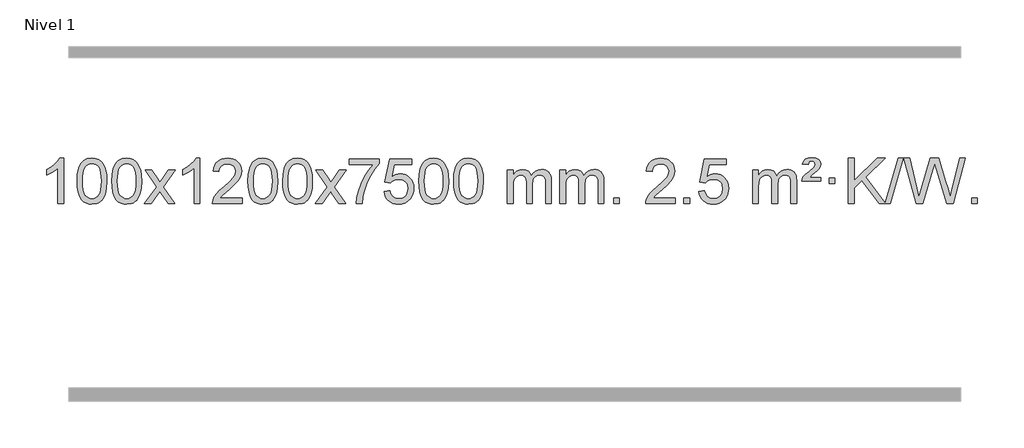
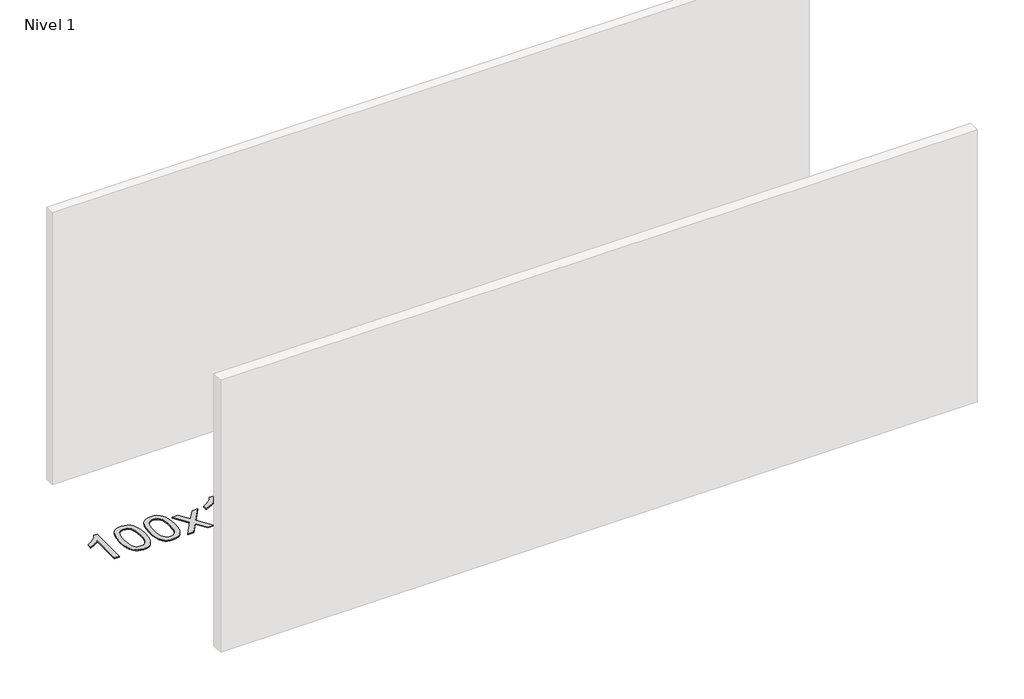
# One storey, part 4 of 5: 1 proxy.
"""IFC4 building model written with IfcOpenShell, lengths in millimetres."""

from ifc_helpers import new_model, si_unit, origin, origin_with_axes, place, context, project, spatial, polyline, outline, extrude, element, save

model = new_model("IFC4")

# Units and contexts
model_context = context("Model", 3, world=origin())
ifc_project = project(units=[si_unit("LENGTHUNIT", "METRE", prefix="MILLI")], contexts=[model_context])

# Site, building, storey
site = spatial("IfcSite", under=ifc_project)
building = spatial("IfcBuilding", under=site)
storey = spatial("IfcBuildingStorey", under=building, Name="Nivel 1", Elevation=0.0)

# Proxy
placement = place(None, origin())
element("IfcBuildingElementProxy", 1, Name="Texto de modelo 1", ObjectType="Texto de modelo 1", at=placement, inside=storey, context=model_context, shape_type="SweptSolid", body=[
    extrude(outline(polyline([(-275.4615788, -391.579453), (-325.6897338, -391.579453), (-325.6897338, -78.4382987), (-346.6590076, -95.3976587), (-373.2691385, -112.3324932), (-426.146044, -137.6918254), (-426.146044, -90.2105225), (-386.6968314, -68.7507395), (-352.520594, -43.219729), (-325.5793692, -16.0700378), (-307.8351943, 10.2457876), (-275.4615788, 10.2457876), (-275.4615788, -391.579453)])), origin_with_axes(), (0.0, 0.0, 1.0), 10.0),
    extrude(outline(polyline([(-156.1697105, -193.9041943), (-152.4786278, -129.5861588), (-141.4053797, -78.2911459), (-123.0603309, -39.2343407), (-111.2022679, -24.0009605), (-97.5538459, -11.6309284), (-82.0690796, -2.0598651), (-64.7019837, 4.7766086), (-24.3208034, 10.2457876), (6.6303351, 7.008426), (34.3441121, -2.7036586), (57.5206778, -18.5103217), (74.8601825, -40.0314184), (87.9567815, -67.0830078), (98.4046302, -99.4811488), (105.2472353, -140.6226186), (107.5281037, -193.9041943), (103.8738092, -257.8543477), (92.9109257, -309.0267333), (74.6762415, -348.1203266), (62.8457697, -363.3996922), (49.2065447, -375.8341036), (33.7033843, -385.4695462), (16.2811061, -392.3520052), (-24.3208034, -397.8579724), (-51.9855294, -395.4667394), (-76.5109958, -388.2930405), (-97.8972024, -376.3368757), (-116.1441494, -359.5982449), (-133.6553324, -329.3399508), (-146.1633202, -291.6381776), (-153.6681129, -246.4929255), (-156.1697105, -193.9041943)]), holes=[polyline([(-105.9415554, -193.8060924), (-104.4700274, -237.4706195), (-100.0554435, -272.8148822), (-92.6978036, -299.8388804), (-82.3971077, -318.5426142), (-69.9381708, -331.2682656), (-56.1058078, -340.3580165), (-40.9000186, -345.8118671), (-24.3208034, -347.6298173), (-7.7415881, -345.8057357), (7.464201, -340.3334911), (21.296564, -331.2130833), (33.7555009, -318.4445124), (44.0561968, -299.7101217), (51.4138367, -272.6922549), (55.8284206, -237.3909118), (57.2999486, -193.8060924), (55.8774716, -151.2973278), (51.6100404, -116.5753989), (44.4976552, -89.6403055), (34.5403158, -70.4920476), (22.2898454, -57.1440625), (8.2980668, -47.6097875), (-7.4350198, -41.8892225), (-24.9094146, -39.9823675), (-41.4027907, -41.6623619), (-56.3510624, -46.7023452), (-69.7542298, -55.1023175), (-81.6122928, -66.8622786), (-92.2563452, -87.708925), (-99.8592397, -115.8151094), (-104.4209765, -151.1808319), (-105.9415554, -193.8060924)])]), origin_with_axes(), (0.0, 0.0, 1.0), 10.0),
    extrude(outline(polyline([(151.4777394, -193.9041943), (155.1688221, -129.5861588), (166.2420701, -78.2911459), (184.5871189, -39.2343407), (196.4451819, -24.0009605), (210.0936039, -11.6309284), (225.5783702, -2.0598651), (242.9454661, 4.7766086), (283.3266464, 10.2457876), (314.277785, 7.008426), (341.9915619, -2.7036586), (365.1681276, -18.5103217), (382.5076323, -40.0314184), (395.6042314, -67.0830078), (406.05208, -99.4811488), (412.8946851, -140.6226186), (415.1755535, -193.9041943), (411.521259, -257.8543477), (400.5583756, -309.0267333), (382.3236913, -348.1203266), (370.4932195, -363.3996922), (356.8539945, -375.8341036), (341.3508341, -385.4695462), (323.928556, -392.3520052), (283.3266464, -397.8579724), (255.6619204, -395.4667394), (231.1364541, -388.2930405), (209.7502474, -376.3368757), (191.5033004, -359.5982449), (173.9921175, -329.3399508), (161.4841296, -291.6381776), (153.9793369, -246.4929255), (151.4777394, -193.9041943)]), holes=[polyline([(201.7058944, -193.8060924), (203.1774224, -237.4706195), (207.5920064, -272.8148822), (214.9496463, -299.8388804), (225.2503421, -318.5426142), (237.709279, -331.2682656), (251.5416421, -340.3580165), (266.7474312, -345.8118671), (283.3266464, -347.6298173), (299.9058617, -345.8057357), (315.1116508, -340.3334911), (328.9440138, -331.2130833), (341.4029507, -318.4445124), (351.7036466, -299.7101217), (359.0612865, -272.6922549), (363.4758705, -237.3909118), (364.9473984, -193.8060924), (363.5249214, -151.2973278), (359.2574902, -116.5753989), (352.145105, -89.6403055), (342.1877657, -70.4920476), (329.9372952, -57.1440625), (315.9455167, -47.6097875), (300.21243, -41.8892225), (282.7380352, -39.9823675), (266.2446591, -41.6623619), (251.2963874, -46.7023452), (237.89322, -55.1023175), (226.0351571, -66.8622786), (215.3911047, -87.708925), (207.7882101, -115.8151094), (203.2264734, -151.1808319), (201.7058944, -193.8060924)])]), origin_with_axes(), (0.0, 0.0, 1.0), 10.0),
    extrude(outline(polyline([(440.2896311, -391.579453), (547.6130718, -243.2494325), (446.5681504, -96.4890419), (506.9988995, -96.4890419), (555.7555266, -167.122385), (578.5151594, -200.4770192), (598.2336343, -173.2047007), (653.7592901, -96.4890419), (714.1900392, -96.4890419), (608.0438209, -243.2494325), (710.2659646, -391.579453), (649.8352155, -391.579453), (588.3253459, -302.4048574), (577.0436314, -286.1199477), (500.7203801, -391.579453), (440.2896311, -391.579453)])), origin_with_axes(), (0.0, 0.0, 1.0), 10.0),
    extrude(outline(polyline([(930.014143, -391.579453), (879.785988, -391.579453), (879.785988, -78.4382987), (858.8167142, -95.3976587), (832.2065832, -112.3324932), (779.3296778, -137.6918254), (779.3296778, -90.2105225), (818.7788904, -68.7507395), (852.9551278, -43.219729), (879.8963526, -16.0700378), (897.6405275, 10.2457876), (930.014143, 10.2457876), (930.014143, -391.579453)])), origin_with_axes(), (0.0, 0.0, 1.0), 10.0),
    extrude(outline(polyline([(1306.7253061, -341.3512979), (1306.7253061, -391.579453), (1043.0274919, -391.579453), (1044.1311379, -373.8965918), (1048.4230945, -356.9494945), (1060.808455, -329.8856424), (1078.9327747, -303.6311307), (1105.1504982, -276.1503456), (1141.8160704, -245.4076736), (1196.017351, -197.2641831), (1228.5381194, -161.7267824), (1244.7985036, -132.884834), (1250.2186316, -104.8277005), (1245.1050719, -79.6768347), (1229.7643927, -58.7688747), (1206.1831568, -44.6789943), (1176.347927, -39.9823675), (1145.0166437, -44.5686297), (1120.6751184, -58.3274163), (1104.9665572, -80.1796068), (1099.5341664, -109.0460807), (1049.3060113, -102.7675613), (1053.6255591, -76.838012), (1061.4829054, -54.1826125), (1072.8780502, -34.8013627), (1087.8109935, -18.6942627), (1105.9383788, -6.0329907), (1126.9168496, 3.010775), (1150.7464058, 8.4370345), (1177.4270475, 10.2457876), (1204.3468125, 8.2346994), (1228.3051275, 2.2014346), (1249.3019923, -7.8540066), (1267.3374071, -21.9316242), (1281.8227607, -38.9890861), (1292.1694418, -57.9840598), (1298.3774505, -78.9165453), (1300.4467867, -101.7865427), (1298.2149693, -125.8092369), (1291.519517, -149.4149983), (1279.6369285, -173.4254299), (1261.8437027, -198.6621347), (1233.4800009, -228.7916701), (1189.8859844, -267.4805933), (1132.1039857, -315.795762), (1109.4424548, -341.3512979), (1306.7253061, -341.3512979)])), origin_with_axes(), (0.0, 0.0, 1.0), 10.0),
    extrude(outline(polyline([(1356.9534612, -193.9041943), (1360.6445439, -129.5861588), (1371.7177919, -78.2911459), (1390.0628407, -39.2343407), (1401.9209037, -24.0009605), (1415.5693257, -11.6309284), (1431.054092, -2.0598651), (1448.4211879, 4.7766086), (1488.8023682, 10.2457876), (1519.7535068, 7.008426), (1547.4672837, -2.7036586), (1570.6438494, -18.5103217), (1587.9833541, -40.0314184), (1601.0799532, -67.0830078), (1611.5278018, -99.4811488), (1618.3704069, -140.6226186), (1620.6512753, -193.9041943), (1616.9969808, -257.8543477), (1606.0340974, -309.0267333), (1587.7994131, -348.1203266), (1575.9689413, -363.3996922), (1562.3297163, -375.8341036), (1546.8265559, -385.4695462), (1529.4042778, -392.3520052), (1488.8023682, -397.8579724), (1461.1376422, -395.4667394), (1436.6121759, -388.2930405), (1415.2259692, -376.3368757), (1396.9790222, -359.5982449), (1379.4678393, -329.3399508), (1366.9598514, -291.6381776), (1359.4550587, -246.4929255), (1356.9534612, -193.9041943)]), holes=[polyline([(1407.1816162, -193.8060924), (1408.6531442, -237.4706195), (1413.0677282, -272.8148822), (1420.4253681, -299.8388804), (1430.7260639, -318.5426142), (1443.1850008, -331.2682656), (1457.0173639, -340.3580165), (1472.223153, -345.8118671), (1488.8023682, -347.6298173), (1505.3815835, -345.8057357), (1520.5873726, -340.3334911), (1534.4197356, -331.2130833), (1546.8786725, -318.4445124), (1557.1793684, -299.7101217), (1564.5370083, -272.6922549), (1568.9515923, -237.3909118), (1570.4231202, -193.8060924), (1569.0006432, -151.2973278), (1564.733212, -116.5753989), (1557.6208268, -89.6403055), (1547.6634875, -70.4920476), (1535.413017, -57.1440625), (1521.4212385, -47.6097875), (1505.6881518, -41.8892225), (1488.213757, -39.9823675), (1471.7203809, -41.6623619), (1456.7721092, -46.7023452), (1443.3689418, -55.1023175), (1431.5108789, -66.8622786), (1420.8668265, -87.708925), (1413.2639319, -115.8151094), (1408.7021952, -151.1808319), (1407.1816162, -193.8060924)])]), origin_with_axes(), (0.0, 0.0, 1.0), 10.0),
    extrude(outline(polyline([(1664.600911, -193.9041943), (1668.2919937, -129.5861588), (1679.3652417, -78.2911459), (1697.7102906, -39.2343407), (1709.5683535, -24.0009605), (1723.2167756, -11.6309284), (1738.7015419, -2.0598651), (1756.0686377, 4.7766086), (1796.4498181, 10.2457876), (1827.4009566, 7.008426), (1855.1147336, -2.7036586), (1878.2912993, -18.5103217), (1895.630804, -40.0314184), (1908.727403, -67.0830078), (1919.1752517, -99.4811488), (1926.0178568, -140.6226186), (1928.2987251, -193.9041943), (1924.6444307, -257.8543477), (1913.6815472, -309.0267333), (1895.446863, -348.1203266), (1883.6163911, -363.3996922), (1869.9771662, -375.8341036), (1854.4740058, -385.4695462), (1837.0517276, -392.3520052), (1796.4498181, -397.8579724), (1768.785092, -395.4667394), (1744.2596257, -388.2930405), (1722.873419, -376.3368757), (1704.6264721, -359.5982449), (1687.1152891, -329.3399508), (1674.6073013, -291.6381776), (1667.1025086, -246.4929255), (1664.600911, -193.9041943)]), holes=[polyline([(1714.8290661, -193.8060924), (1716.3005941, -237.4706195), (1720.715178, -272.8148822), (1728.0728179, -299.8388804), (1738.3735138, -318.5426142), (1750.8324507, -331.2682656), (1764.6648137, -340.3580165), (1779.8706028, -345.8118671), (1796.4498181, -347.6298173), (1813.0290333, -345.8057357), (1828.2348225, -340.3334911), (1842.0671855, -331.2130833), (1854.5261224, -318.4445124), (1864.8268182, -299.7101217), (1872.1844581, -272.6922549), (1876.5990421, -237.3909118), (1878.0705701, -193.8060924), (1876.648093, -151.2973278), (1872.3806619, -116.5753989), (1865.2682766, -89.6403055), (1855.3109373, -70.4920476), (1843.0604669, -57.1440625), (1829.0686883, -47.6097875), (1813.3356016, -41.8892225), (1795.8612069, -39.9823675), (1779.3678308, -41.6623619), (1764.419559, -46.7023452), (1751.0163917, -55.1023175), (1739.1583287, -66.8622786), (1728.5142763, -87.708925), (1720.9113817, -115.8151094), (1716.349645, -151.1808319), (1714.8290661, -193.8060924)])]), origin_with_axes(), (0.0, 0.0, 1.0), 10.0),
    extrude(outline(polyline([(1953.4128027, -391.579453), (2060.7362434, -243.2494325), (1959.6913221, -96.4890419), (2020.1220711, -96.4890419), (2068.8786982, -167.122385), (2091.638331, -200.4770192), (2111.3568059, -173.2047007), (2166.8824617, -96.4890419), (2227.3132108, -96.4890419), (2121.1669925, -243.2494325), (2223.3891362, -391.579453), (2162.9583871, -391.579453), (2101.4485175, -302.4048574), (2090.166803, -286.1199477), (2013.8435518, -391.579453), (1953.4128027, -391.579453)])), origin_with_axes(), (0.0, 0.0, 1.0), 10.0),
    extrude(outline(polyline([(2254.7817331, -46.2608869), (2254.7817331, 3.9672682), (2518.4795473, 3.9672682), (2518.4795473, -36.646904), (2480.8942701, -84.214046), (2443.6768749, -144.7061088), (2410.8495382, -212.6048623), (2386.4344365, -282.3920768), (2374.4660089, -334.6067947), (2367.795082, -391.579453), (2317.566927, -391.579453), (2322.9993178, -339.8061935), (2337.5306566, -278.2717985), (2360.7685359, -213.0463207), (2392.3205484, -150.1998132), (2429.1577988, -93.3865704), (2468.2513922, -46.2608869), (2254.7817331, -46.2608869)])), origin_with_axes(), (0.0, 0.0, 1.0), 10.0),
    extrude(outline(polyline([(2562.429183, -284.8446235), (2612.657338, -278.5661041), (2621.8789134, -308.7201649), (2637.9676193, -330.3148381), (2660.8498794, -343.3010725), (2690.4521173, -347.6298173), (2709.581981, -346.1245668), (2726.4555019, -341.6088153), (2741.0726798, -334.0825628), (2753.4335149, -323.5458094), (2763.2620955, -310.519721), (2770.2825102, -295.5254641), (2775.898842, -259.6324441), (2770.6381295, -225.8363514), (2764.0622388, -211.9181493), (2754.8559919, -199.9865099), (2742.9887319, -190.4154467), (2728.4298019, -183.5789729), (2691.2369322, -178.1097939), (2666.8708814, -180.2925604), (2647.1401437, -186.8408599), (2631.3825316, -196.8717757), (2618.9358574, -209.5023908), (2568.7077023, -203.2238715), (2612.657338, 3.9672682), (2807.291439, 3.9672682), (2807.291439, -46.2608869), (2653.2715103, -46.2608869), (2631.7872018, -156.919791), (2649.5129826, -144.2155994), (2667.667959, -135.1411769), (2686.2521312, -129.6965234), (2705.265499, -127.8816388), (2729.726586, -130.1318504), (2752.1949788, -136.882485), (2772.6706775, -148.1335427), (2791.1536821, -163.8850234), (2806.4545074, -183.1743027), (2817.3836684, -205.038756), (2823.9411649, -229.4783832), (2826.1269971, -256.4931844), (2824.1588284, -282.5147042), (2818.2543224, -306.7213394), (2808.413479, -329.1130902), (2794.6362983, -349.6899565), (2773.7651265, -370.7634634), (2749.4113384, -385.8159684), (2721.5749341, -394.8474714), (2690.2559136, -397.8579724), (2664.3355613, -395.9235262), (2640.922938, -390.1201877), (2620.0180436, -380.447957), (2601.6208782, -366.9068338), (2586.3139215, -350.1712688), (2574.6796534, -330.915712), (2566.7180739, -309.1401636), (2562.429183, -284.8446235)])), origin_with_axes(), (0.0, 0.0, 1.0), 10.0),
    extrude(outline(polyline([(2870.0766328, -193.9041943), (2873.7677155, -129.5861588), (2884.8409635, -78.2911459), (2903.1860124, -39.2343407), (2915.0440753, -24.0009605), (2928.6924974, -11.6309284), (2944.1772637, -2.0598651), (2961.5443595, 4.7766086), (3001.9255399, 10.2457876), (3032.8766784, 7.008426), (3060.5904554, -2.7036586), (3083.7670211, -18.5103217), (3101.1065258, -40.0314184), (3114.2031248, -67.0830078), (3124.6509735, -99.4811488), (3131.4935786, -140.6226186), (3133.7744469, -193.9041943), (3130.1201525, -257.8543477), (3119.157269, -309.0267333), (3100.9225848, -348.1203266), (3089.0921129, -363.3996922), (3075.452888, -375.8341036), (3059.9497276, -385.4695462), (3042.5274494, -392.3520052), (3001.9255399, -397.8579724), (2974.2608138, -395.4667394), (2949.7353475, -388.2930405), (2928.3491408, -376.3368757), (2910.1021939, -359.5982449), (2892.5910109, -329.3399508), (2880.0830231, -291.6381776), (2872.5782304, -246.4929255), (2870.0766328, -193.9041943)]), holes=[polyline([(2920.3047879, -193.8060924), (2921.7763158, -237.4706195), (2926.1908998, -272.8148822), (2933.5485397, -299.8388804), (2943.8492356, -318.5426142), (2956.3081725, -331.2682656), (2970.1405355, -340.3580165), (2985.3463246, -345.8118671), (3001.9255399, -347.6298173), (3018.5047551, -345.8057357), (3033.7105442, -340.3334911), (3047.5429073, -331.2130833), (3060.0018442, -318.4445124), (3070.30254, -299.7101217), (3077.6601799, -272.6922549), (3082.0747639, -237.3909118), (3083.5462919, -193.8060924), (3082.1238148, -151.2973278), (3077.8563837, -116.5753989), (3070.7439984, -89.6403055), (3060.7866591, -70.4920476), (3048.5361887, -57.1440625), (3034.5444101, -47.6097875), (3018.8113234, -41.8892225), (3001.3369287, -39.9823675), (2984.8435526, -41.6623619), (2969.8952808, -46.7023452), (2956.4921135, -55.1023175), (2944.6340505, -66.8622786), (2933.9899981, -87.708925), (2926.3871035, -115.8151094), (2921.8253668, -151.1808319), (2920.3047879, -193.8060924)])]), origin_with_axes(), (0.0, 0.0, 1.0), 10.0),
    extrude(outline(polyline([(3177.7240826, -193.9041943), (3181.4151653, -129.5861588), (3192.4884134, -78.2911459), (3210.8334622, -39.2343407), (3222.6915252, -24.0009605), (3236.3399472, -11.6309284), (3251.8247135, -2.0598651), (3269.1918094, 4.7766086), (3309.5729897, 10.2457876), (3340.5241282, 7.008426), (3368.2379052, -2.7036586), (3391.4144709, -18.5103217), (3408.7539756, -40.0314184), (3421.8505746, -67.0830078), (3432.2984233, -99.4811488), (3439.1410284, -140.6226186), (3441.4218968, -193.9041943), (3437.7676023, -257.8543477), (3426.8047188, -309.0267333), (3408.5700346, -348.1203266), (3396.7395628, -363.3996922), (3383.1003378, -375.8341036), (3367.5971774, -385.4695462), (3350.1748992, -392.3520052), (3309.5729897, -397.8579724), (3281.9082637, -395.4667394), (3257.3827973, -388.2930405), (3235.9965907, -376.3368757), (3217.7496437, -359.5982449), (3200.2384607, -329.3399508), (3187.7304729, -291.6381776), (3180.2256802, -246.4929255), (3177.7240826, -193.9041943)]), holes=[polyline([(3227.9522377, -193.8060924), (3229.4237657, -237.4706195), (3233.8383496, -272.8148822), (3241.1959895, -299.8388804), (3251.4966854, -318.5426142), (3263.9556223, -331.2682656), (3277.7879853, -340.3580165), (3292.9937744, -345.8118671), (3309.5729897, -347.6298173), (3326.1522049, -345.8057357), (3341.3579941, -340.3334911), (3355.1903571, -331.2130833), (3367.649294, -318.4445124), (3377.9499899, -299.7101217), (3385.3076298, -272.6922549), (3389.7222137, -237.3909118), (3391.1937417, -193.8060924), (3389.7712646, -151.2973278), (3385.5038335, -116.5753989), (3378.3914483, -89.6403055), (3368.4341089, -70.4920476), (3356.1836385, -57.1440625), (3342.1918599, -47.6097875), (3326.4587733, -41.8892225), (3308.9843785, -39.9823675), (3292.4910024, -41.6623619), (3277.5427307, -46.7023452), (3264.1395633, -55.1023175), (3252.2815003, -66.8622786), (3241.6374479, -87.708925), (3234.0345534, -115.8151094), (3229.4728166, -151.1808319), (3227.9522377, -193.8060924)])]), origin_with_axes(), (0.0, 0.0, 1.0), 10.0),
    extrude(outline(polyline([(3654.8915558, -391.579453), (3654.8915558, -96.4890419), (3705.1197109, -96.4890419), (3705.1197109, -145.0494653), (3720.2273982, -122.7435537), (3739.6515675, -105.2691589), (3762.7300314, -93.9751816), (3788.8006021, -90.2105225), (3816.7351082, -94.048758), (3839.126859, -105.5634645), (3855.8532271, -123.9943524), (3866.7915851, -148.5811324), (3885.0998457, -123.0439906), (3905.9832803, -104.803175), (3929.4418888, -93.8586857), (3955.4756714, -90.2105225), (3975.5834881, -91.7280358), (3993.2326268, -96.2805755), (4008.4230875, -103.8681416), (4021.1548702, -114.4907342), (4031.2195085, -128.2709806), (4038.4085358, -145.3315082), (4042.7219522, -165.6723168), (4044.1597577, -189.2934066), (4044.1597577, -391.579453), (3993.9316026, -391.579453), (3993.9316026, -210.875817), (3992.7666429, -185.8230531), (3989.271764, -168.9372695), (3982.7234645, -157.3735121), (3972.3982431, -148.2868268), (3959.1177031, -142.4007149), (3943.7034475, -140.4386776), (3916.4924426, -145.4663982), (3894.3091583, -160.54956), (3885.7037853, -172.1194488), (3879.5570903, -186.7182326), (3874.6397343, -225.0024856), (3874.6397343, -391.579453), (3824.4115792, -391.579453), (3824.4115792, -205.2840106), (3821.5053115, -176.8835206), (3812.7865082, -156.6254854), (3797.445829, -144.4853796), (3774.6739335, -140.4386776), (3755.3233405, -143.1364789), (3737.4933265, -151.2298828), (3722.7780467, -164.5226856), (3712.7716564, -182.8186835), (3707.0326973, -208.2025411), (3705.1197109, -242.7589232), (3705.1197109, -391.579453), (3654.8915558, -391.579453)])), origin_with_axes(), (0.0, 0.0, 1.0), 10.0),
    extrude(outline(polyline([(4119.5019903, -391.579453), (4119.5019903, -96.4890419), (4169.7301454, -96.4890419), (4169.7301454, -145.0494653), (4184.8378326, -122.7435537), (4204.262002, -105.2691589), (4227.3404658, -93.9751816), (4253.4110365, -90.2105225), (4281.3455427, -94.048758), (4303.7372935, -105.5634645), (4320.4636615, -123.9943524), (4331.4020195, -148.5811324), (4349.7102801, -123.0439906), (4370.5937147, -104.803175), (4394.0523233, -93.8586857), (4420.0861058, -90.2105225), (4440.1939225, -91.7280358), (4457.8430612, -96.2805755), (4473.033522, -103.8681416), (4485.7653047, -114.4907342), (4495.8299429, -128.2709806), (4503.0189703, -145.3315082), (4507.3323866, -165.6723168), (4508.7701921, -189.2934066), (4508.7701921, -391.579453), (4458.542037, -391.579453), (4458.542037, -210.875817), (4457.3770774, -185.8230531), (4453.8821984, -168.9372695), (4447.3338989, -157.3735121), (4437.0086776, -148.2868268), (4423.7281376, -142.4007149), (4408.313882, -140.4386776), (4381.1028771, -145.4663982), (4358.9195927, -160.54956), (4350.3142197, -172.1194488), (4344.1675247, -186.7182326), (4339.2501687, -225.0024856), (4339.2501687, -391.579453), (4289.0220137, -391.579453), (4289.0220137, -205.2840106), (4286.1157459, -176.8835206), (4277.3969426, -156.6254854), (4262.0562634, -144.4853796), (4239.2843679, -140.4386776), (4219.933775, -143.1364789), (4202.1037609, -151.2298828), (4187.3884811, -164.5226856), (4177.3820909, -182.8186835), (4171.6431317, -208.2025411), (4169.7301454, -242.7589232), (4169.7301454, -391.579453), (4119.5019903, -391.579453)])), origin_with_axes(), (0.0, 0.0, 1.0), 10.0),
    extrude(outline(polyline([(4596.6694635, -391.579453), (4596.6694635, -341.3512979), (4646.8976186, -341.3512979), (4646.8976186, -391.579453), (4596.6694635, -391.579453)])), origin_with_axes(), (0.0, 0.0, 1.0), 10.0),
    extrude(outline(polyline([(5142.9006499, -341.3512979), (5142.9006499, -391.579453), (4879.2028358, -391.579453), (4880.3064818, -373.8965918), (4884.5984384, -356.9494945), (4896.9837989, -329.8856424), (4915.1081185, -303.6311307), (4941.325842, -276.1503456), (4977.9914142, -245.4076736), (5032.1926948, -197.2641831), (5064.7134632, -161.7267824), (5080.9738474, -132.884834), (5086.3939755, -104.8277005), (5081.2804157, -79.6768347), (5065.9397365, -58.7688747), (5042.3585006, -44.6789943), (5012.5232708, -39.9823675), (4981.1919876, -44.5686297), (4956.8504622, -58.3274163), (4941.141901, -80.1796068), (4935.7095102, -109.0460807), (4885.4813552, -102.7675613), (4889.8009029, -76.838012), (4897.6582492, -54.1826125), (4909.053394, -34.8013627), (4923.9863373, -18.6942627), (4942.1137226, -6.0329907), (4963.0921934, 3.010775), (4986.9217497, 8.4370345), (5013.6023914, 10.2457876), (5040.5221564, 8.2346994), (5064.4804713, 2.2014346), (5085.4773362, -7.8540066), (5103.512751, -21.9316242), (5117.9981045, -38.9890861), (5128.3447857, -57.9840598), (5134.5527943, -78.9165453), (5136.6221305, -101.7865427), (5134.3903131, -125.8092369), (5127.6948608, -149.4149983), (5115.8122724, -173.4254299), (5098.0190465, -198.6621347), (5069.6553447, -228.7916701), (5026.0613283, -267.4805933), (4968.2793296, -315.795762), (4945.6177986, -341.3512979), (5142.9006499, -341.3512979)])), origin_with_axes(), (0.0, 0.0, 1.0), 10.0),
    extrude(outline(polyline([(5218.2428825, -391.579453), (5218.2428825, -341.3512979), (5268.4710376, -341.3512979), (5268.4710376, -391.579453), (5218.2428825, -391.579453)])), origin_with_axes(), (0.0, 0.0, 1.0), 10.0),
    extrude(outline(polyline([(5350.0917896, -284.8446235), (5400.3199447, -278.5661041), (5409.54152, -308.7201649), (5425.630226, -330.3148381), (5448.5124861, -343.3010725), (5478.1147239, -347.6298173), (5497.2445877, -346.1245668), (5514.1181085, -341.6088153), (5528.7352865, -334.0825628), (5541.0961215, -323.5458094), (5550.9247021, -310.519721), (5557.9451169, -295.5254641), (5563.5614487, -259.6324441), (5558.3007361, -225.8363514), (5551.7248455, -211.9181493), (5542.5185986, -199.9865099), (5530.6513385, -190.4154467), (5516.0924086, -183.5789729), (5478.8995389, -178.1097939), (5454.533488, -180.2925604), (5434.8027504, -186.8408599), (5419.0451382, -196.8717757), (5406.5984641, -209.5023908), (5356.370309, -203.2238715), (5400.3199447, 3.9672682), (5594.9540456, 3.9672682), (5594.9540456, -46.2608869), (5440.934117, -46.2608869), (5419.4498084, -156.919791), (5437.1755892, -144.2155994), (5455.3305657, -135.1411769), (5473.9147378, -129.6965234), (5492.9281056, -127.8816388), (5517.3891926, -130.1318504), (5539.8575855, -136.882485), (5560.3332842, -148.1335427), (5578.8162887, -163.8850234), (5594.1171141, -183.1743027), (5605.046275, -205.038756), (5611.6037716, -229.4783832), (5613.7896038, -256.4931844), (5611.8214351, -282.5147042), (5605.9169291, -306.7213394), (5596.0760857, -329.1130902), (5582.298905, -349.6899565), (5561.4277331, -370.7634634), (5537.073945, -385.8159684), (5509.2375407, -394.8474714), (5477.9185202, -397.8579724), (5451.998168, -395.9235262), (5428.5855447, -390.1201877), (5407.6806503, -380.447957), (5389.2834848, -366.9068338), (5373.9765281, -350.1712688), (5362.3422601, -330.915712), (5354.3806805, -309.1401636), (5350.0917896, -284.8446235)])), origin_with_axes(), (0.0, 0.0, 1.0), 10.0),
    extrude(outline(polyline([(5827.2592628, -391.579453), (5827.2592628, -96.4890419), (5877.4874179, -96.4890419), (5877.4874179, -145.0494653), (5892.5951052, -122.7435537), (5912.0192745, -105.2691589), (5935.0977383, -93.9751816), (5961.1683091, -90.2105225), (5989.1028152, -94.048758), (6011.494566, -105.5634645), (6028.2209341, -123.9943524), (6039.159292, -148.5811324), (6057.4675527, -123.0439906), (6078.3509873, -104.803175), (6101.8095958, -93.8586857), (6127.8433783, -90.2105225), (6147.9511951, -91.7280358), (6165.6003338, -96.2805755), (6180.7907945, -103.8681416), (6193.5225772, -114.4907342), (6203.5872155, -128.2709806), (6210.7762428, -145.3315082), (6215.0896592, -165.6723168), (6216.5274647, -189.2934066), (6216.5274647, -391.579453), (6166.2993096, -391.579453), (6166.2993096, -210.875817), (6165.1343499, -185.8230531), (6161.639471, -168.9372695), (6155.0911715, -157.3735121), (6144.7659501, -148.2868268), (6131.4854101, -142.4007149), (6116.0711545, -140.4386776), (6088.8601496, -145.4663982), (6066.6768653, -160.54956), (6058.0714923, -172.1194488), (6051.9247973, -186.7182326), (6047.0074413, -225.0024856), (6047.0074413, -391.579453), (5996.7792862, -391.579453), (5996.7792862, -205.2840106), (5993.8730184, -176.8835206), (5985.1542152, -156.6254854), (5969.813536, -144.4853796), (5947.0416405, -140.4386776), (5927.6910475, -143.1364789), (5909.8610335, -151.2298828), (5895.1457537, -164.5226856), (5885.1393634, -182.8186835), (5879.4004043, -208.2025411), (5877.4874179, -242.7589232), (5877.4874179, -391.579453), (5827.2592628, -391.579453)])), origin_with_axes(), (0.0, 0.0, 1.0), 10.0),
    extrude(outline(polyline([(6260.4771003, -190.6668327), (6264.3030731, -174.8479069), (6272.6417317, -158.9799302), (6294.1505656, -133.8413272), (6326.1072483, -106.1030247), (6370.2530877, -68.726214), (6377.3899984, -57.1992448), (6379.7689686, -45.3779701), (6377.8805077, -33.2869152), (6372.215125, -23.5012541), (6362.8463969, -17.026531), (6349.8478997, -14.8682899), (6337.4134883, -16.4869707), (6328.5597949, -21.343013), (6322.1341227, -30.8098431), (6316.9837748, -46.2608869), (6266.7556197, -39.9823675), (6277.5958759, -14.7701881), (6294.224142, 2.7900458), (6317.9893189, 13.0907417), (6350.2403072, 16.524307), (6386.0229626, 12.3917659), (6410.7691581, -0.0058573), (6425.1901323, -18.3386434), (6429.9971237, -40.2766731), (6425.9013708, -63.1834586), (6413.6141122, -84.8149199), (6393.0862969, -104.6314968), (6356.6169284, -132.6886303), (6331.0123416, -159.2742358), (6429.9971237, -159.2742358), (6429.9971237, -190.6668327), (6260.4771003, -190.6668327)])), origin_with_axes(), (0.0, 0.0, 1.0), 10.0),
    extrude(outline(polyline([(6505.3393563, -215.7809102), (6505.3393563, -165.5527552), (6555.5675114, -165.5527552), (6555.5675114, -215.7809102), (6505.3393563, -215.7809102)])), origin_with_axes(), (0.0, 0.0, 1.0), 10.0),
    extrude(outline(polyline([(6946.2091394, -391.579453), (6792.7778219, -188.9009991), (6725.0875348, -253.4520265), (6725.0875348, -391.579453), (6674.8593797, -391.579453), (6674.8593797, 10.2457876), (6725.0875348, 10.2457876), (6725.0875348, -186.4484525), (6931.1014521, 10.2457876), (7001.3423877, 10.2457876), (6828.388799, -154.9577537), (7003.0424089, -385.5349332), (7114.3557366, 10.2457876), (7159.6787984, 10.2457876), (7046.6654495, -391.579453), (7007.6209071, -391.579453), (7001.3423877, -391.579453), (6946.2091394, -391.579453)])), origin_with_axes(), (0.0, 0.0, 1.0), 10.0),
    extrude(outline(polyline([(7274.1636753, -391.579453), (7164.5838917, 10.2457876), (7216.3816766, 10.2457876), (7279.9516854, -253.844434), (7299.5720585, -335.3670841), (7320.5658576, -263.2622131), (7400.2245723, 10.2457876), (7474.8800919, 10.2457876), (7532.7601925, -188.0180823), (7557.5554389, -261.5944814), (7575.8269114, -335.3670841), (7594.8586732, -256.1988788), (7659.0172932, 10.2457876), (7710.8150781, 10.2457876), (7601.1371926, -391.579453), (7547.4754723, -391.579453), (7451.1394405, -81.5775584), (7437.6994849, -38.3146358), (7422.5917976, -90.4067263), (7334.7906281, -391.579453), (7274.1636753, -391.579453)])), origin_with_axes(), (0.0, 0.0, 1.0), 10.0),
    extrude(outline(polyline([(7767.3217526, -391.579453), (7767.3217526, -341.3512979), (7817.5499077, -341.3512979), (7817.5499077, -391.579453), (7767.3217526, -391.579453)])), origin_with_axes(), (0.0, 0.0, 1.0), 10.0),
])

save(model, "model.ifc")
